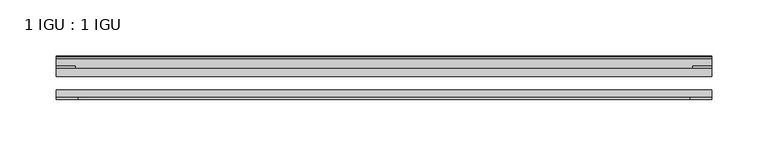
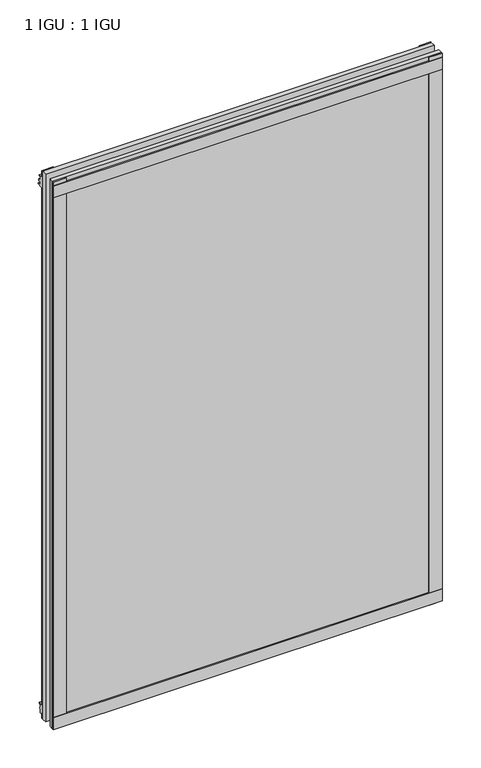
"""IFC4 building model written with IfcOpenShell, lengths in millimetres: plate geometry, 1 IGU : 1 IGU."""

from ifc_helpers import new_model, si_unit, point, frame, frame_2d, origin, place, context, project, spatial, polyline, circle_curve, trimmed, segment, composite_curve, outline, extrude, source, transform, mapped, element, save


def plate_1_igu_1_igu_55244435(model_context):
    return source(origin(), model_context, "Body", "SweptSolid", [
        extrude(outline(polyline([(292.1, -11.6085937), (292.1, -18.8576359), (-292.1, -18.8576359), (-292.1, -11.6085937), (292.1, -11.6085937)])), frame((0.0, 0.0, -19.05), z_axis=(0.0, 0.0, 1.0), x_axis=(1.0, 0.0, 0.0)), (0.0, 0.0, 1.0), 869.9409101),
        extrude(outline(polyline([(-292.1, -30.7093937), (292.1, -30.7093937), (292.1, -37.0085937), (-292.1, -37.0085937), (-292.1, -30.7093937)])), frame((0.0, 0.0, -19.05), z_axis=(0.0, 0.0, 1.0), x_axis=(1.0, 0.0, 0.0)), (0.0, 0.0, 1.0), 869.9409101),
        extrude(outline(polyline([(-292.1, -39.2945937), (-292.1, -37.0085937), (292.1, -37.0085937), (292.1, -39.2945937), (-292.1, -39.2945937)])), frame((0.0, 0.0, -19.05), z_axis=(0.0, 0.0, 1.0), x_axis=(1.0, 0.0, 0.0)), (0.0, 0.0, 1.0), 19.05),
        extrude(outline(composite_curve([segment(trimmed(circle_curve(frame_2d((-2.5575611, 32.8538976)), 31.3272753), [point((-11.6085937, 2.8626158))], [point((-2.2024699, 1.5286348))], True, "CARTESIAN"), True, "CONTINUOUS"), segment(polyline([(-2.2024699, 1.5286348), (-2.2024699, 0.0), (-5.2585937, 0.0), (-5.2585937, -5.2345509), (-3.3544944, -5.5797863), (-5.2585937, -8.255), (-5.2585937, -11.471876)]), True, "CONTINUOUS"), segment(trimmed(circle_curve(frame_2d((-6.5285937, -11.471876)), 1.27), [point((-5.2585937, -11.471876))], [point((-7.4547667, -12.340843))], False, "CARTESIAN"), True, "CONTINUOUS"), segment(polyline([(-7.4547667, -12.340843), (-11.6085937, -7.9135609), (-11.6085937, 2.8626158)]), True, "CONTINUOUS")], self_intersect=False)), frame((-292.1, 0.0, 0.0), z_axis=(1.0, 0.0, 0.0), x_axis=(0.0, 1.0, 0.0)), (0.0, 0.0, 1.0), 584.2),
        extrude(outline(composite_curve([segment(polyline([(-3.0995937, 840.8103314), (-3.0995937, 838.7783314), (-5.2585937, 838.7783314), (-5.2585937, 833.4443314), (-1.5755937, 833.4443314), (-1.5755937, 830.3963314), (-5.2585937, 830.3963314), (-5.2585937, 825.5703314), (-0.5298657, 826.2349108), (-0.4061408, 825.3545625)]), True, "CONTINUOUS"), segment(trimmed(circle_curve(frame_2d((-1.4122531, 825.2131626)), 1.016), [point((-0.4061408, 825.3545625))], [point((-1.2708533, 824.2070502))], False, "CARTESIAN"), True, "CONTINUOUS"), segment(polyline([(-1.2708533, 824.2070502), (-11.6085937, 822.7541756), (-11.6085937, 840.8103314), (-3.0995937, 840.8103314)]), True, "CONTINUOUS")], self_intersect=False)), frame((-292.1, 0.0, 0.0), z_axis=(1.0, 0.0, 0.0), x_axis=(0.0, 1.0, 0.0)), (0.0, 0.0, 1.0), 584.2),
        extrude(outline(polyline([(-292.1, -39.2945937), (-292.1, -37.0085937), (292.1, -37.0085937), (292.1, -39.2945937), (-292.1, -39.2945937)])), frame((0.0, 0.0, 825.4909101), z_axis=(0.0, 0.0, 1.0), x_axis=(1.0, 0.0, 0.0)), (0.0, 0.0, 1.0), 19.05),
        extrude(outline(polyline([(273.05, -37.0085937), (292.1, -37.0085937), (292.1, -39.2945938), (273.05, -39.2945938), (273.05, -37.0085937)])), frame((0.0, 0.0, -19.05), z_axis=(0.0, 0.0, 1.0), x_axis=(1.0, 0.0, 0.0)), (0.0, 0.0, 1.0), 869.9409101),
        extrude(outline(polyline([(292.1, -9.3247196), (292.1, -11.6085937), (275.0185, -11.6085937), (275.0185, -9.3247196), (292.1, -9.3247196)])), frame((0.0, 0.0, -19.05), z_axis=(0.0, 0.0, 1.0), x_axis=(1.0, 0.0, 0.0)), (0.0, 0.0, 1.0), 869.9409101),
        extrude(outline(polyline([(-292.1, -39.2945937), (-292.1, -37.0085937), (-273.05, -37.0085937), (-273.05, -39.2945937), (-292.1, -39.2945937)])), frame((0.0, 0.0, -19.05), z_axis=(0.0, 0.0, 1.0), x_axis=(1.0, 0.0, 0.0)), (0.0, 0.0, 1.0), 869.9409101),
        extrude(outline(polyline([(-292.1, -11.6107196), (-292.1, -9.2273437), (-275.0185, -9.2273437), (-275.0185, -11.6107196), (-292.1, -11.6107196)])), frame((0.0, 0.0, -19.05), z_axis=(0.0, 0.0, 1.0), x_axis=(1.0, 0.0, 0.0)), (0.0, 0.0, 1.0), 869.9409101),
    ])


if __name__ == "__main__":
    model = new_model("IFC4")
    model_context = context("Model", 3, world=origin())
    ifc_project = project(units=[si_unit("LENGTHUNIT", "METRE", prefix="MILLI")], contexts=[model_context])
    site = spatial("IfcSite", under=ifc_project)
    building = spatial("IfcBuilding", under=site)
    placement = place(None, origin())
    plate_1_igu_1_igu_shape = plate_1_igu_1_igu_55244435(model_context)
    element("IfcPlate", 1, ObjectType="1 IGU : 1 IGU", at=placement, inside=building, context=model_context, shape_type="MappedRepresentation", body=[
        mapped(plate_1_igu_1_igu_shape, transform((0.0, 0.0, 0.0), x_axis=(1.0, 0.0, 0.0), y_axis=(0.0, 1.0, 0.0), z_axis=(0.0, 0.0, 1.0))),
    ])
    save(model, "model.ifc")
